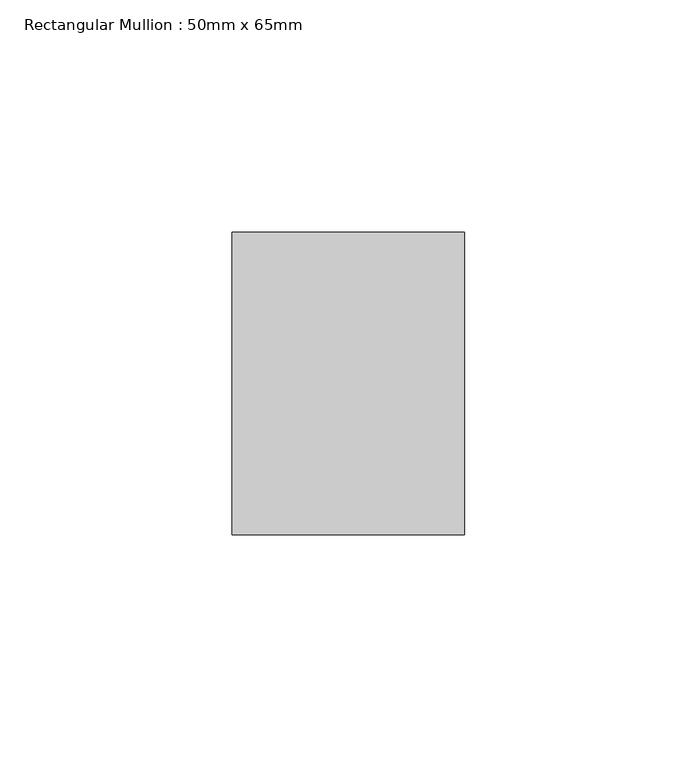
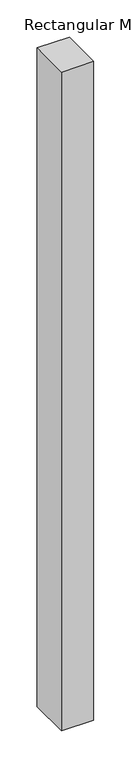
"""IFC4 building model written with IfcOpenShell, lengths in millimetres: member geometry, Rectangular Mullion : 50mm x 65mm."""

from ifc_helpers import new_model, si_unit, frame, origin, place, context, project, spatial, polyline, outline, extrude, source, transform, mapped, element, save


def rectangular_mullion_50mm_x_65mm_faeb1a5c(model_context):
    return source(origin(), model_context, "Body", "SweptSolid", [
        extrude(outline(polyline([(25.0, 32.5), (25.0, -32.5), (-25.0, -32.5), (-25.0, 32.5), (25.0, 32.5)])), frame((0.0, 0.0, -1078.0446925), z_axis=(0.0, 0.0, 1.0), x_axis=(1.0, 0.0, 0.0)), (0.0, 0.0, 1.0), 1078.0446925),
    ])


if __name__ == "__main__":
    model = new_model("IFC4")
    model_context = context("Model", 3, world=origin())
    ifc_project = project(units=[si_unit("LENGTHUNIT", "METRE", prefix="MILLI")], contexts=[model_context])
    site = spatial("IfcSite", under=ifc_project)
    building = spatial("IfcBuilding", under=site)
    placement = place(None, origin())
    rectangular_mullion_50mm_x_65mm_shape = rectangular_mullion_50mm_x_65mm_faeb1a5c(model_context)
    element("IfcMember", 1, ObjectType="Rectangular Mullion : 50mm x 65mm", at=placement, inside=building, context=model_context, shape_type="MappedRepresentation", body=[
        mapped(rectangular_mullion_50mm_x_65mm_shape, transform((0.0, 0.0, 0.0), x_axis=(1.0, 0.0, 0.0), y_axis=(0.0, 1.0, 0.0), z_axis=(0.0, 0.0, 1.0))),
    ])
    save(model, "model.ifc")
